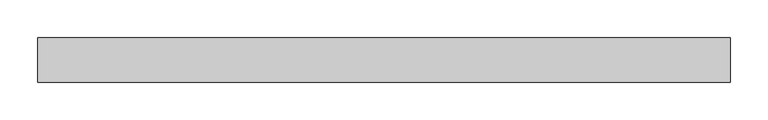
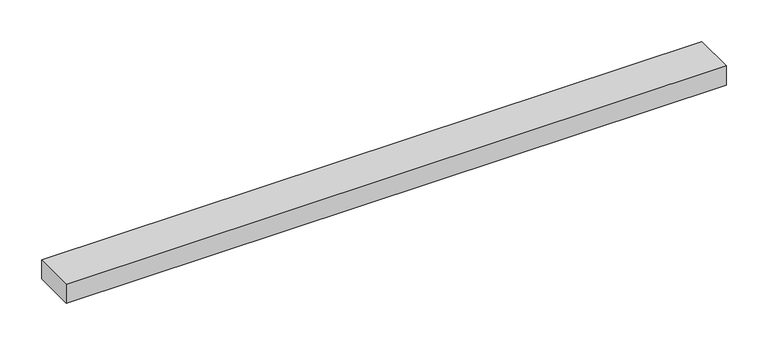
"""IFC4 building model written with IfcOpenShell, lengths in millimetres: proxy geometry."""

from ifc_helpers import new_model, si_unit, frame, origin, place, context, project, spatial, polyline, outline, extrude, source, transform, mapped, element, save


def specialty_equipment_bbbc4735(model_context):
    return source(origin(), model_context, "Body", "SweptSolid", [
        extrude(outline(polyline([(-457.2, 29.2199219), (457.2, 29.2199219), (457.2, -29.2199219), (-457.2, -29.2199219), (-457.2, 29.2199219)])), frame((0.0, 0.0, -13.9898438), z_axis=(0.0, 0.0, 1.0), x_axis=(1.0, 0.0, 0.0)), (0.0, 0.0, 1.0), 27.9796875),
    ])


if __name__ == "__main__":
    model = new_model("IFC4")
    model_context = context("Model", 3, world=origin())
    ifc_project = project(units=[si_unit("LENGTHUNIT", "METRE", prefix="MILLI")], contexts=[model_context])
    site = spatial("IfcSite", under=ifc_project)
    building = spatial("IfcBuilding", under=site)
    placement = place(None, origin())
    specialty_equipment_shape = specialty_equipment_bbbc4735(model_context)
    element("IfcBuildingElementProxy", 1, Name="Specialty Equipment", at=placement, inside=building, context=model_context, shape_type="MappedRepresentation", body=[
        mapped(specialty_equipment_shape, transform((0.0, 0.0, 0.0), x_axis=(1.0, 0.0, 0.0), y_axis=(0.0, 1.0, 0.0), z_axis=(0.0, 0.0, 1.0))),
    ])
    save(model, "model.ifc")
